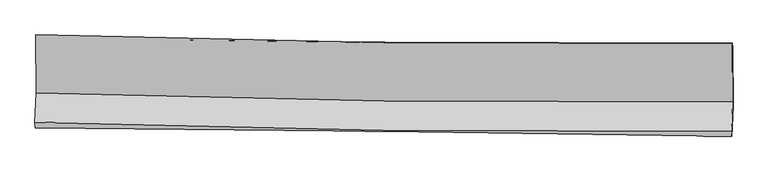
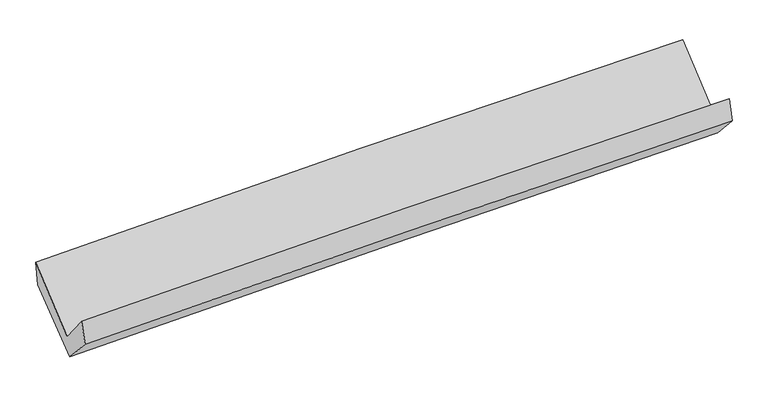
"""IFC4 building model written with IfcOpenShell, lengths in millimetres: proxy geometry."""

from ifc_helpers import new_model, si_unit, frame, origin, place, context, project, spatial, source, transform, mapped, element, save
from ifc_brep_helpers import plane_surface, spline_curve, spline_surface, advanced_brep


def generic_models_ce8adf4a(model_context):
    return source(origin(), model_context, "Body", "AdvancedBrep", [
        advanced_brep(
        [(-3027.6160292, -1166.4016588, 2162.2353751), (-3024.9712963, -1672.7955865, 1731.2638112), (3016.0259244, -1749.3307365, 1871.7148173), (3013.3592307, -1238.7319329, 2306.2649825), (-3035.5875221, -1926.0535015, 2040.1846614), (3005.2645362, -2006.0516097, 2184.8597408), (-3031.8233074, -1977.4412835, 1842.883871), (3009.0310406, -2047.7834578, 1993.4608327), (-3021.4452422, -1712.4052968, 1551.7467278), (3018.9414684, -1794.6900394, 1715.4423804), (-3023.3875676, -1195.2974711, 1958.5227132), (3016.9990821, -1277.5659973, 2122.2311223)],
        [
            (0, 1),
            (1, 2, spline_curve(3, [(-3024.9712963, -1672.7955865, 1731.2638112), (-2019.086341382, -1706.339217094, 1783.235722613), (-1012.725667801, -1729.488947431, 1820.925919807), (1000.940078834, -1755.000519017, 1867.742722187), (2008.245145612, -1757.362505129, 1876.869527076), (3016.0259244, -1749.3307365, 1871.7148173)], [4, 2, 4], [0.0, 9.915073295601804, 19.83007729291525])),
            (2, 3),
            (3, 0, spline_curve(3, [(3013.3592307, -1238.7319329, 2306.2649825), (2005.578099268, -1246.696153251, 2311.477179799), (998.274686176, -1244.650796731, 2302.08090402), (-1015.383740517, -1220.540845414, 2254.071239205), (-2021.738747227, -1198.476110519, 2215.457645669), (-3027.6160292, -1166.4016588, 2162.2353751)], [4, 2, 4], [0.0, 9.915003997313445, 19.83007729291525])),
            (1, 4),
            (4, 5, spline_curve(3, [(-3035.5875221, -1926.0535015, 2040.1846614), (-2029.676551337, -1958.976508544, 2091.39954363), (-1023.314967092, -1982.104510024, 2129.063236428), (990.302391895, -2008.770408989, 2177.288073245), (1997.558160224, -2012.308443705, 2187.849407414), (3005.2645362, -2006.0516097, 2184.8597408)], [4, 2, 4], [0.0, 9.914966164192778, 19.829863030845956])),
            (5, 2),
            (4, 6),
            (6, 7, spline_curve(3, [(-3031.8233074, -1977.4412835, 1842.883871), (-2025.084558674, -1986.26878664, 1872.714314493), (-1018.308896108, -1996.544411476, 1900.177652236), (995.309220708, -2019.991823385, 1950.369939562), (2002.151674016, -2033.163589761, 1973.098922734), (3009.0310406, -2047.7834578, 1993.4608327)], [4, 2, 4], [0.0, 9.913757516323749, 19.827445743555362])),
            (7, 5),
            (6, 8),
            (8, 9, spline_curve(3, [(-3021.4452422, -1712.4052968, 1551.7467278), (-2014.762976304, -1722.675266528, 1583.161694505), (-1008.054525001, -1734.667343555, 1612.510522808), (1005.407711945, -1762.095614994, 1667.075711309), (2012.161497716, -1777.531785883, 1692.292100644), (3018.9414684, -1794.6900394, 1715.4423804)], [4, 2, 4], [0.0, 9.913374415369418, 19.826679544324264])),
            (9, 7),
            (8, 10),
            (10, 11, spline_curve(3, [(-3023.3875676, -1195.2974711, 1958.5227132), (-2016.705294636, -1205.569368666, 1989.936163678), (-1009.996844743, -1217.561057802, 2019.285296763), (1003.465372287, -1244.983923966, 2073.854737538), (2010.219139061, -1260.415076864, 2099.075074068), (3016.9990821, -1277.5659973, 2122.2311223)], [4, 2, 4], [0.0, 9.913404090759945, 19.826738894897915])),
            (11, 9),
            (10, 0),
            (3, 11),
        ],
        [
            spline_surface(3, 3, [[(-3027.6160292, -1166.4016588, 2162.2353751), (-2021.738747323, -1198.476110536, 2215.457645694), (-1015.383740505, -1220.540845358, 2254.07123915), (998.274686164, -1244.650796788, 2302.080904075), (2005.578099263, -1246.696153368, 2311.47717976), (3013.3592307, -1238.7319329, 2306.2649825)], [(-3026.734451538, -1335.199634699, 2018.578187133), (-2020.854611978, -1367.763812717, 2071.383671327), (-1014.497716298, -1390.190212751, 2109.689466026), (999.163150442, -1414.76737083, 2157.301510108), (2006.467114758, -1416.918270638, 2166.607962184), (3014.248128602, -1408.931534117, 2161.414927435)], [(-3025.852873962, -1503.997610601, 1874.920999167), (-2019.970476719, -1537.051514902, 1927.309696961), (-1013.611692131, -1559.839580142, 1965.307692923), (1000.05161468, -1584.88394487, 2012.522116162), (2007.356130249, -1587.140387858, 2021.738744605), (3015.137026498, -1579.131135283, 2016.564872365)], [(-3024.9712963, -1672.7955865, 1731.2638112), (-2019.086341373, -1706.339217083, 1783.235722595), (-1012.725667924, -1729.488947535, 1820.925919799), (1000.940078957, -1755.000518912, 1867.742722195), (2008.245145745, -1757.362505127, 1876.86952703), (3016.0259244, -1749.3307365, 1871.7148173)]], [4, 4], [4, 2, 4], [0.0, 2.1956663953202753], [0.0, 9.915073295601804, 19.83007729291525]),
            spline_surface(3, 3, [[(-3024.9712963, -1672.7955865, 1731.2638112), (-2019.086341373, -1706.339217083, 1783.235722595), (-1012.725667924, -1729.488947535, 1820.925919799), (1000.940078957, -1755.000518912, 1867.742722195), (2008.245145745, -1757.362505127, 1876.86952703), (3016.0259244, -1749.3307365, 1871.7148173)], [(-3028.510038232, -1757.21489147, 1834.237427947), (-2022.616411407, -1790.551647495, 1885.956996333), (-1016.255434342, -1813.694134986, 1923.638358663), (997.394183258, -1839.590482291, 1970.924505943), (2004.682817266, -1842.344484604, 1980.529487132), (3012.438794975, -1834.904360881, 1976.096458488)], [(-3032.048780168, -1841.63419653, 1937.211044653), (-2026.146481444, -1874.764077997, 1988.67827003), (-1019.785200699, -1897.899322475, 2026.350797448), (993.84828762, -1924.180445708, 2074.106289613), (2001.120488862, -1927.326464137, 2084.189447171), (3008.851665625, -1920.477985319, 2080.478099612)], [(-3035.5875221, -1926.0535015, 2040.1846614), (-2029.676551477, -1958.976508409, 2091.399543768), (-1023.314967117, -1982.104509926, 2129.063236312), (990.30239192, -2008.770409087, 2177.288073361), (1997.558160383, -2012.308443613, 2187.849407273), (3005.2645362, -2006.0516097, 2184.8597408)]], [4, 4], [4, 2, 4], [0.0, 1.310703410865647], [0.0, 9.914966164192778, 19.829863030845956]),
            spline_surface(3, 3, [[(-3035.5875221, -1926.0535015, 2040.1846614), (-2029.676551477, -1958.976508409, 2091.399543768), (-1023.314967117, -1982.104509926, 2129.063236312), (990.30239192, -2008.770409087, 2177.288073361), (1997.558160383, -2012.308443613, 2187.849407273), (3005.2645362, -2006.0516097, 2184.8597408)], [(-3034.332783882, -1943.18276217, 1974.417731276), (-2028.145887211, -1968.073934482, 2018.504467395), (-1021.646276703, -1986.917810473, 2052.76804159), (991.971334831, -2012.510880479, 2101.648695446), (1999.08933157, -2019.26015899, 2116.265912403), (3006.52003769, -2019.962225746, 2121.060104762)], [(-3033.078045618, -1960.31202283, 1908.650801124), (-2026.615222899, -1977.171360543, 1945.609390994), (-1019.977586378, -1991.731111035, 1976.472846886), (993.640277652, -2016.251351886, 2026.009317549), (2000.620502687, -2026.211874327, 2044.682417546), (3007.77553911, -2033.872841754, 2057.260468738)], [(-3031.8233074, -1977.4412835, 1842.883871), (-2025.084558633, -1986.268786615, 1872.714314622), (-1018.308895963, -1996.544411582, 1900.177652164), (995.309220563, -2019.991823279, 1950.369939634), (2002.151673873, -2033.163589703, 1973.098922676), (3009.0310406, -2047.7834578, 1993.4608327)]], [4, 4], [4, 2, 4], [0.0, 0.7490736675011215], [0.0, 9.913757516323749, 19.827445743555362]),
            spline_surface(3, 3, [[(-3031.8233074, -1977.4412835, 1842.883871), (-2025.084558633, -1986.268786615, 1872.714314622), (-1018.308895963, -1996.544411582, 1900.177652164), (995.309220563, -2019.991823279, 1950.369939634), (2002.151673873, -2033.163589703, 1973.098922676), (3009.0310406, -2047.7834578, 1993.4608327)], [(-3028.363952344, -1889.095954601, 1745.838156583), (-2021.644031226, -1898.40427997, 1776.196774582), (-1014.890772368, -1909.252055549, 1804.28860902), (998.675384392, -1934.026420552, 1855.938530223), (2005.488281797, -1947.952988393, 1879.496648701), (3012.334516508, -1963.41898499, 1900.788015277)], [(-3024.904597256, -1800.750625699, 1648.792442217), (-2018.203503788, -1810.53977332, 1679.679234593), (-1011.472648736, -1821.9596995, 1708.399565867), (1002.041548257, -1848.061017809, 1761.507120804), (2008.824889798, -1862.742387113, 1785.894374696), (3015.637992492, -1879.05451221, 1808.115197823)], [(-3021.4452422, -1712.4052968, 1551.7467278), (-2014.762976382, -1722.675266675, 1583.161694554), (-1008.054525141, -1734.667343467, 1612.510522723), (1005.407712086, -1762.095615082, 1667.075711393), (2012.161497723, -1777.531785804, 1692.292100721), (3018.9414684, -1794.6900394, 1715.4423804)]], [4, 4], [4, 2, 4], [0.0, 1.2670324111434537], [0.0, 9.913374415369418, 19.826679544324264]),
            spline_surface(3, 3, [[(-3021.4452422, -1712.4052968, 1551.7467278), (-2014.762976382, -1722.675266675, 1583.161694554), (-1008.054525141, -1734.667343467, 1612.510522723), (1005.407712086, -1762.095615082, 1667.075711393), (2012.161497723, -1777.531785804, 1692.292100721), (3018.9414684, -1794.6900394, 1715.4423804)], [(-3022.092683992, -1540.036021582, 1687.338722936), (-2015.410415761, -1550.306634002, 1718.753184241), (-1008.701965006, -1562.298581606, 1748.102114034), (1004.760265454, -1589.725051385, 1802.668720095), (2011.514044808, -1605.15954947, 1827.88642518), (3018.294006304, -1622.315358707, 1851.038627682)], [(-3022.740125808, -1367.666746318, 1822.930718064), (-2016.057855162, -1377.938001282, 1854.344673919), (-1009.349404825, -1389.929819691, 1883.693705419), (1004.112818866, -1417.354487635, 1938.26172887), (2010.866591882, -1432.787313115, 1963.480749695), (3017.646544196, -1449.940677993, 1986.634875018)], [(-3023.3875676, -1195.2974711, 1958.5227132), (-2016.705294541, -1205.569368609, 1989.936163606), (-1009.996844689, -1217.56105783, 2019.28529673), (1003.465372234, -1244.983923938, 2073.854737571), (2010.219138967, -1260.415076781, 2099.075074154), (3016.9990821, -1277.5659973, 2122.2311223)]], [4, 4], [4, 2, 4], [0.0, 2.158565584967806], [0.0, 9.913404090759945, 19.826738894897915]),
            spline_surface(3, 3, [[(-3023.3875676, -1195.2974711, 1958.5227132), (-2016.705294541, -1205.569368609, 1989.936163606), (-1009.996844689, -1217.56105783, 2019.28529673), (1003.465372234, -1244.983923938, 2073.854737571), (2010.219138967, -1260.415076781, 2099.075074154), (3016.9990821, -1277.5659973, 2122.2311223)], [(-3024.797054812, -1185.665533677, 2026.426933825), (-2018.383112148, -1203.204949262, 2065.10999096), (-1011.792476623, -1218.554320333, 2097.547277545), (1001.735143549, -1244.872881548, 2149.930126414), (2008.672125754, -1255.842102301, 2169.875776013), (3015.785798322, -1264.621309158, 2183.575742357)], [(-3026.206541988, -1176.033596223, 2094.331154475), (-2020.060929717, -1200.840529883, 2140.28381834), (-1013.588108571, -1219.547582855, 2175.809258336), (1000.00491485, -1244.761839177, 2226.005515232), (2007.125112476, -1251.269127847, 2240.676477901), (3014.572514478, -1251.676621042, 2244.920362443)], [(-3027.6160292, -1166.4016588, 2162.2353751), (-2021.738747323, -1198.476110536, 2215.457645694), (-1015.383740505, -1220.540845358, 2254.07123915), (998.274686164, -1244.650796788, 2302.080904075), (2005.578099263, -1246.696153368, 2311.47717976), (3013.3592307, -1238.7319329, 2306.2649825)]], [4, 4], [4, 2, 4], [0.0, 0.7597449553780936], [0.0, 9.913808355522358, 19.827547421597256]),
            plane_surface(frame((3013.2702137, -1685.6922956, 2032.3289793), z_axis=(0.9996409612467538, -0.014145990249883505, 0.02275608836149873), x_axis=(-0.002952179428799305, 0.7859625905095248, 0.618267006200539))),
            plane_surface(frame((-3027.4718275, -1608.399133, 1881.1395266), z_axis=(-0.9996409612467223, 0.014145990250728028, -0.022756088362360042), x_axis=(0.02054693225927403, -0.14041047269740498, -0.9898801557419081))),
        ],
        [
            (0, [[1, 2, 3, 4]]),
            (1, [[5, 6, 7, -2]]),
            (2, [[8, 9, 10, -6]]),
            (3, [[11, 12, 13, -9]]),
            (4, [[14, 15, 16, -12]]),
            (5, [[17, -4, 18, -15]]),
            (6, [[-16, -18, -3, -7, -10, -13]]),
            (7, [[-17, -14, -11, -8, -5, -1]]),
        ],
    ),
    ])


if __name__ == "__main__":
    model = new_model("IFC4")
    model_context = context("Model", 3, world=origin())
    ifc_project = project(units=[si_unit("LENGTHUNIT", "METRE", prefix="MILLI")], contexts=[model_context])
    site = spatial("IfcSite", under=ifc_project)
    building = spatial("IfcBuilding", under=site)
    placement = place(None, origin())
    generic_models_shape = generic_models_ce8adf4a(model_context)
    element("IfcBuildingElementProxy", 1, Name="Generic Models", at=placement, inside=building, context=model_context, shape_type="MappedRepresentation", body=[
        mapped(generic_models_shape, transform((0.0, 0.0, 0.0), x_axis=(1.0, 0.0, 0.0), y_axis=(0.0, 1.0, 0.0), z_axis=(0.0, 0.0, 1.0))),
    ])
    save(model, "model.ifc")
